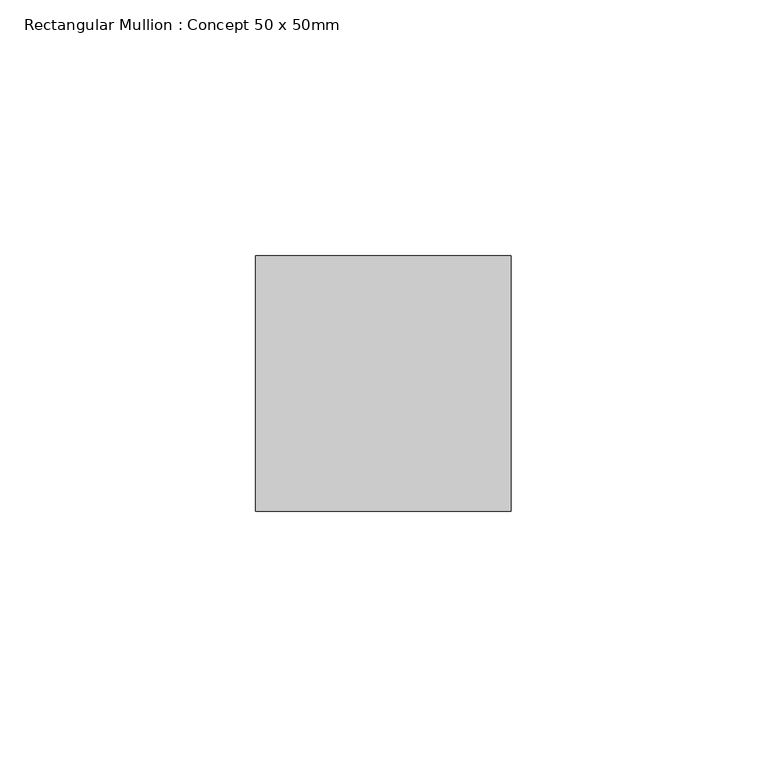
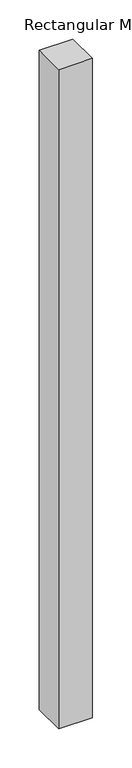
"""IFC4 building model written with IfcOpenShell, lengths in millimetres: member geometry, Rectangular Mullion : Concept 50 x 50mm."""

from ifc_helpers import new_model, si_unit, frame, origin, place, context, project, spatial, polyline, outline, extrude, source, transform, mapped, element, save


def rectangular_mullion_concept_50_x_50mm_899dc719(model_context):
    return source(origin(), model_context, "Body", "SweptSolid", [
        extrude(outline(polyline([(25.0, 50.0), (25.0, 0.0), (-25.0, 0.0), (-25.0, 50.0), (25.0, 50.0)])), frame((0.0, 0.0, -1030.0), z_axis=(0.0, 0.0, 1.0), x_axis=(1.0, 0.0, 0.0)), (0.0, 0.0, 1.0), 1030.0),
    ])


if __name__ == "__main__":
    model = new_model("IFC4")
    model_context = context("Model", 3, world=origin())
    ifc_project = project(units=[si_unit("LENGTHUNIT", "METRE", prefix="MILLI")], contexts=[model_context])
    site = spatial("IfcSite", under=ifc_project)
    building = spatial("IfcBuilding", under=site)
    placement = place(None, origin())
    rectangular_mullion_concept_50_x_50mm_shape = rectangular_mullion_concept_50_x_50mm_899dc719(model_context)
    element("IfcMember", 1, ObjectType="Rectangular Mullion : Concept 50 x 50mm", at=placement, inside=building, context=model_context, shape_type="MappedRepresentation", body=[
        mapped(rectangular_mullion_concept_50_x_50mm_shape, transform((0.0, 0.0, 0.0), x_axis=(1.0, 0.0, 0.0), y_axis=(0.0, 1.0, 0.0), z_axis=(0.0, 0.0, 1.0))),
    ])
    save(model, "model.ifc")
